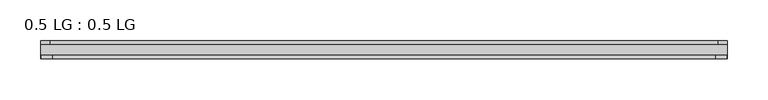
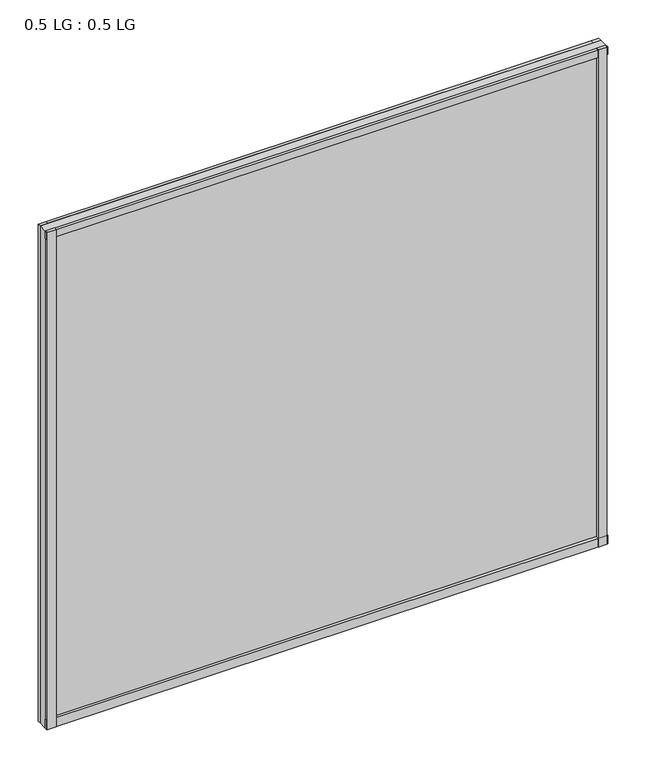
"""IFC4 building model written with IfcOpenShell, lengths in millimetres: plate geometry, 0.5 LG : 0.5 LG."""

from ifc_helpers import new_model, si_unit, frame, origin, origin_with_axes, place, context, project, spatial, polyline, outline, extrude, source, transform, mapped, element, save


def plate_0_5_lg_0_5_lg_4f7fe9ca(model_context):
    return source(origin(), model_context, "Body", "SweptSolid", [
        extrude(outline(polyline([(423.068369, -4.6736), (411.6157724, -4.6736), (411.6157724, 0.0), (423.068369, 0.0), (423.068369, -4.6736)])), origin_with_axes(), (0.0, 0.0, 1.0), 792.4339894),
        extrude(outline(polyline([(408.8490451, -18.288), (422.2527656, -18.288), (422.2527656, -22.479), (408.8490451, -22.479), (408.8490451, -18.288)])), origin_with_axes(), (0.0, 0.0, 1.0), 792.4339894),
        extrude(outline(polyline([(-411.5505603, 0.0), (-411.5505603, -4.6736), (-423.068369, -4.6736), (-423.068369, 0.0), (-411.5505603, 0.0)])), origin_with_axes(), (0.0, 0.0, 1.0), 792.4339894),
        extrude(outline(polyline([(-408.8593202, -18.288), (-408.8593202, -22.479), (-422.2527656, -22.479), (-422.2527656, -18.288), (-408.8593202, -18.288)])), origin_with_axes(), (0.0, 0.0, 1.0), 792.4339894),
        extrude(outline(polyline([(423.068369, 0.0), (423.068369, -4.6736), (-423.068369, -4.6736), (-423.068369, 0.0), (423.068369, 0.0)])), origin_with_axes(), (0.0, 0.0, 1.0), 11.444324),
        extrude(outline(polyline([(423.068369, -18.288), (423.068369, -22.479), (-423.068369, -22.479), (-423.068369, -18.288), (423.068369, -18.288)])), origin_with_axes(), (0.0, 0.0, 1.0), 14.1703966),
        extrude(outline(polyline([(423.068369, 0.0), (423.068369, -4.6736), (-423.068369, -4.6736), (-423.068369, 0.0), (423.068369, 0.0)])), frame((0.0, 0.0, 780.7688868), z_axis=(0.0, 0.0, 1.0), x_axis=(1.0, 0.0, 0.0)), (0.0, 0.0, 1.0), 11.6651026),
        extrude(outline(polyline([(423.068369, -18.288), (423.068369, -22.479), (-423.068369, -22.479), (-423.068369, -18.288), (423.068369, -18.288)])), frame((0.0, 0.0, 780.7688868), z_axis=(0.0, 0.0, 1.0), x_axis=(1.0, 0.0, 0.0)), (0.0, 0.0, 1.0), 11.6651026),
        extrude(outline(polyline([(423.068369, -4.6736), (423.068369, -18.288), (-423.068369, -18.288), (-423.068369, -4.6736), (423.068369, -4.6736)])), origin_with_axes(), (0.0, 0.0, 1.0), 792.4339894),
    ])


if __name__ == "__main__":
    model = new_model("IFC4")
    model_context = context("Model", 3, world=origin())
    ifc_project = project(units=[si_unit("LENGTHUNIT", "METRE", prefix="MILLI")], contexts=[model_context])
    site = spatial("IfcSite", under=ifc_project)
    building = spatial("IfcBuilding", under=site)
    placement = place(None, origin())
    plate_0_5_lg_0_5_lg_shape = plate_0_5_lg_0_5_lg_4f7fe9ca(model_context)
    element("IfcPlate", 1, ObjectType="0.5 LG : 0.5 LG", at=placement, inside=building, context=model_context, shape_type="MappedRepresentation", body=[
        mapped(plate_0_5_lg_0_5_lg_shape, transform((0.0, 0.0, 0.0), x_axis=(1.0, 0.0, 0.0), y_axis=(0.0, 1.0, 0.0), z_axis=(0.0, 0.0, 1.0))),
    ])
    save(model, "model.ifc")
